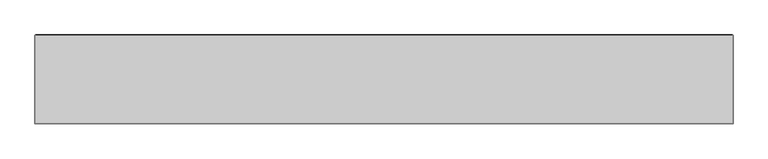
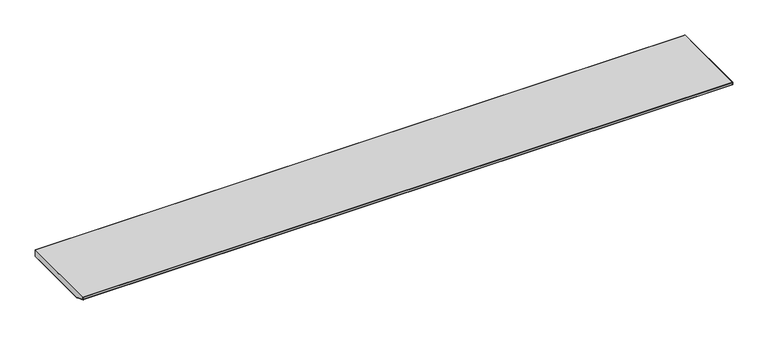
"""IFC4 building model written with IfcOpenShell, lengths in millimetres: furniture geometry."""

from ifc_helpers import new_model, si_unit, origin, place, context, project, spatial, triangles, source, transform, mapped, element, save


def furniture_cfd79507(model_context):
    return source(origin(), model_context, "Body", "Tessellation", [
        triangles([(2437.6379826, -311.1500121, -0.762), (2437.6379826, -310.3879947, 0.0), (0.762, -310.3879947, 0.0), (0.762, -311.1500121, -0.762), (0.762, -311.1500121, -8.7630002), (0.0, -310.3879947, -0.762), (0.0, -310.3879947, -8.7630002), (0.762, -310.3879947, -9.525), (0.762, -272.2879947, -25.4000008), (2437.6379826, -272.2879947, -25.4000008), (2437.6379826, -310.3879947, -9.525), (0.762, -0.762, -25.4000008), (2437.6379826, -0.762, -25.4000008), (0.0, -0.762, -24.6379992), (0.0, -0.762, -0.762), (2437.6379826, -0.762, 0.0), (0.762, -0.762, 0.0), (2438.4, -0.762, -0.762), (2438.4, -310.3879947, -0.762), (2438.4, -310.3879947, -8.7630002), (2438.4, -0.762, -24.6379992), (2437.6379826, 0.0, -24.6379992), (2437.6379826, 0.0, -0.762), (0.762, 0.0, -24.6379992), (0.762, 0.0, -0.762), (2437.6379826, -311.1500121, -8.7630002), (-0.03175, -273.0499939, -24.6379992), (2438.4316841, -273.0499939, -24.6379992)], [[1, 2, 3], [1, 3, 4], [5, 4, 6], [5, 6, 7], [8, 9, 10], [8, 10, 11], [12, 13, 10], [12, 10, 9], [14, 7, 6], [14, 6, 15], [16, 17, 3], [16, 3, 2], [18, 19, 20], [18, 20, 21], [22, 23, 18], [22, 18, 21], [22, 13, 12], [22, 12, 24], [25, 24, 14], [25, 14, 15], [25, 17, 16], [25, 16, 23], [20, 19, 1], [20, 1, 26], [26, 1, 4], [26, 4, 5], [3, 6, 4], [15, 6, 3], [15, 3, 17], [15, 17, 25], [24, 12, 14], [14, 12, 9], [14, 9, 27], [16, 18, 23], [18, 16, 2], [18, 2, 19], [1, 19, 2], [22, 21, 13], [13, 21, 28], [13, 28, 10], [5, 8, 11], [5, 11, 26], [5, 7, 8], [26, 11, 20], [11, 10, 28], [11, 28, 20], [21, 28, 20], [7, 27, 9], [7, 9, 8], [7, 27, 14]], closed=False),
    ])


if __name__ == "__main__":
    model = new_model("IFC4")
    model_context = context("Model", 3, world=origin())
    ifc_project = project(units=[si_unit("LENGTHUNIT", "METRE", prefix="MILLI")], contexts=[model_context])
    site = spatial("IfcSite", under=ifc_project)
    building = spatial("IfcBuilding", under=site)
    placement = place(None, origin())
    furniture_shape = furniture_cfd79507(model_context)
    element("IfcFurniture", 1, at=placement, inside=building, context=model_context, shape_type="MappedRepresentation", body=[
        mapped(furniture_shape, transform((0.0, 0.0, 0.0), x_axis=(1.0, 0.0, 0.0), y_axis=(0.0, 1.0, 0.0), z_axis=(0.0, 0.0, 1.0))),
    ])
    save(model, "model.ifc")
